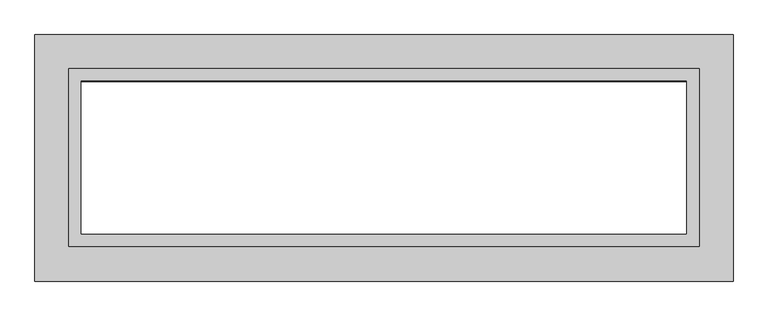
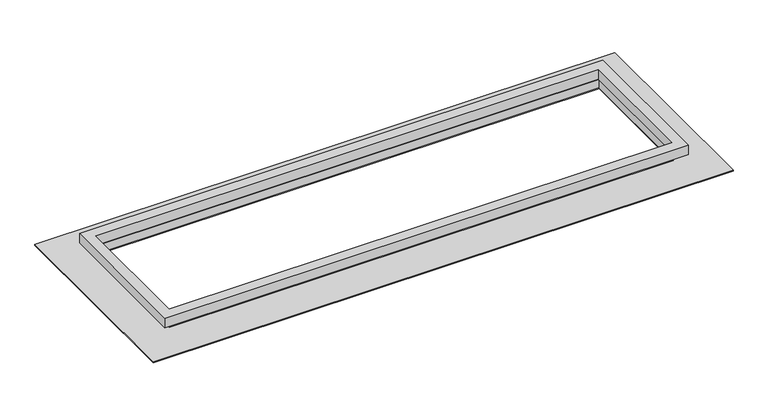
"""IFC4 building model written with IfcOpenShell, lengths in millimetres: proxy geometry."""

from ifc_helpers import new_model, si_unit, frame, origin, origin_with_axes, place, context, project, spatial, polyline, outline, extrude, source, transform, mapped, element, save


def generic_models_59b1d6d6(model_context):
    return source(origin(), model_context, "Body", "SweptSolid", [
        extrude(outline(polyline([(977.1126, 276.8981), (977.1126, -274.5867), (-977.1126, -274.5867), (-977.1126, 276.8981), (977.1126, 276.8981)]), holes=[polyline([(-938.784, 238.5695), (-938.784, -236.2581), (938.149, -236.2581), (938.149, 238.5695), (-938.784, 238.5695)])]), frame((0.0, 0.0, 35.56), z_axis=(0.0, 0.0, 1.0), x_axis=(1.0, 0.0, 0.0)), (0.0, 0.0, 1.0), 38.1),
        extrude(outline(polyline([(941.03825, 240.8809), (941.03825, -240.8809), (-941.19065, -240.8809), (-941.19065, 240.8809), (941.03825, 240.8809)]), holes=[polyline([(-938.9364, 235.6866), (-938.9364, -235.6866), (938.784, -235.6866), (938.784, 235.6866), (-938.9364, 235.6866)])]), frame((0.0, 0.0, 3.81), z_axis=(0.0, 0.0, 1.0), x_axis=(1.0, 0.0, 0.0)), (0.0, 0.0, 1.0), 31.75),
        extrude(outline(polyline([(1082.675, 382.524), (1082.675, -382.524), (-1082.675, -382.524), (-1082.675, 382.524), (1082.675, 382.524)]), holes=[polyline([(-938.9364, 235.6866), (-938.9364, -235.6866), (938.9364, -235.6866), (938.9364, 235.6866), (-938.9364, 235.6866)])]), origin_with_axes(), (0.0, 0.0, 1.0), 3.81),
    ])


if __name__ == "__main__":
    model = new_model("IFC4")
    model_context = context("Model", 3, world=origin())
    ifc_project = project(units=[si_unit("LENGTHUNIT", "METRE", prefix="MILLI")], contexts=[model_context])
    site = spatial("IfcSite", under=ifc_project)
    building = spatial("IfcBuilding", under=site)
    placement = place(None, origin())
    generic_models_shape = generic_models_59b1d6d6(model_context)
    element("IfcBuildingElementProxy", 1, Name="Generic Models", at=placement, inside=building, context=model_context, shape_type="MappedRepresentation", body=[
        mapped(generic_models_shape, transform((0.0, 0.0, 0.0), x_axis=(1.0, 0.0, 0.0), y_axis=(0.0, 1.0, 0.0), z_axis=(0.0, 0.0, 1.0))),
    ])
    save(model, "model.ifc")
